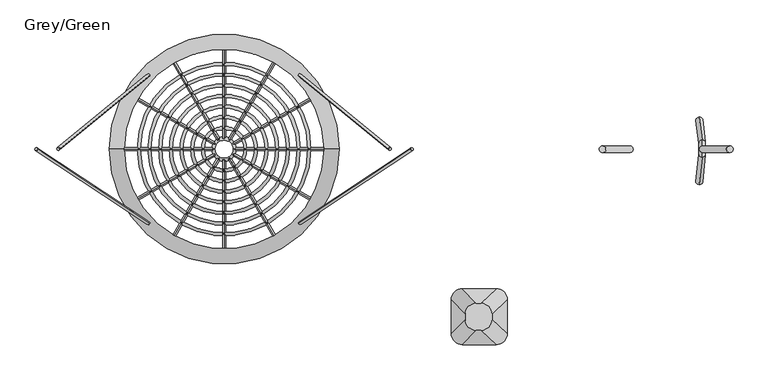
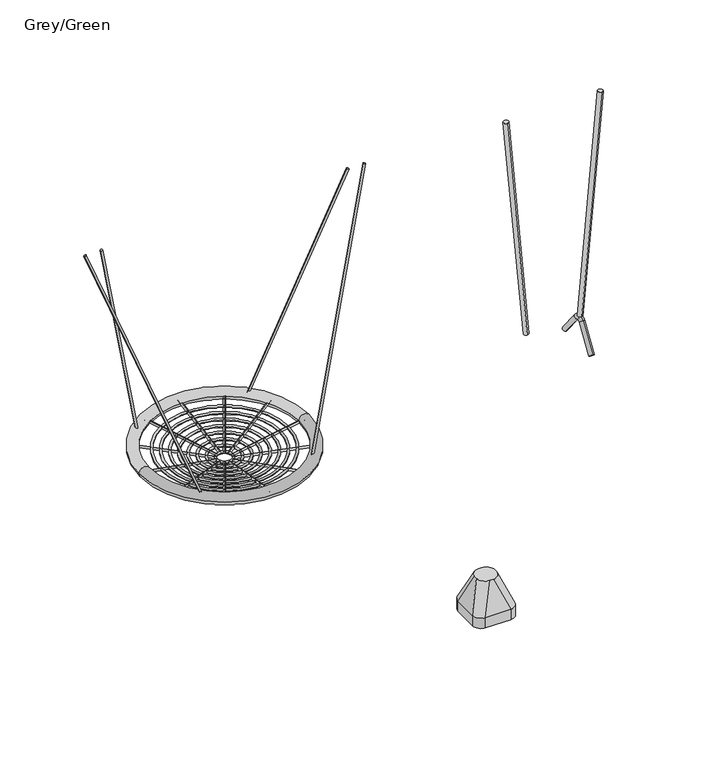
"""IFC4 building model written with IfcOpenShell, lengths in millimetres: furniture geometry, Grey/Green."""

from ifc_helpers import new_model, si_unit, point, frame, frame_2d, origin, place, context, project, spatial, circle_curve, ellipse_curve, trimmed, segment, composite_curve, outline, extrude, source, transform, mapped, element, save
from ifc_brep_helpers import plane_surface, cylinder_surface, revolved_surface, extruded_surface, advanced_brep


def grey_green_7b09b73a(model_context):
    return source(origin(), model_context, "Body", "SolidModel", [
        advanced_brep(
        [(1275.0, -746.7414474, -604.0), (1455.0, -746.7414474, -604.0), (1515.0, -806.7414474, -604.0), (1515.0, -986.7414474, -604.0), (1455.0, -1046.7414474, -604.0), (1275.0, -1046.7414474, -604.0), (1215.0, -986.7414474, -604.0), (1215.0, -806.7414474, -604.0), (1275.0, -746.7414474, -526.0689494), (1455.0, -746.7414474, -526.0689494), (1515.0, -806.7414474, -526.0689494), (1515.0, -986.7414474, -526.0689494), (1455.0, -1046.7414474, -526.0689494), (1275.0, -1046.7414474, -526.0689494), (1215.0, -986.7414474, -526.0689494), (1215.0, -806.7414474, -526.0689494), (1373.9540451, -825.2925072, -316.0689494), (1348.9540451, -825.2925072, -316.0689494), (1288.9540451, -885.2925072, -316.0689494), (1288.9540451, -910.2925072, -316.0689494), (1348.9540451, -970.2925072, -316.0689494), (1373.9540451, -970.2925072, -316.0689494), (1433.9540451, -910.2925072, -316.0689494), (1433.9540451, -885.2925072, -316.0689494)],
        [
            (0, 1),
            (1, 2, circle_curve(frame((1455.0, -806.7414474, -604.0), z_axis=(0.0, 0.0, -1.0), x_axis=(-1.0, 0.0, 0.0)), 60.0)),
            (2, 3),
            (3, 4, circle_curve(frame((1455.0, -986.7414474, -604.0), z_axis=(0.0, 0.0, -1.0), x_axis=(-1.0, 0.0, 0.0)), 60.0)),
            (4, 5),
            (5, 6, circle_curve(frame((1275.0, -986.7414474, -604.0), z_axis=(0.0, 0.0, -1.0), x_axis=(-1.0, 0.0, 0.0)), 60.0)),
            (6, 7),
            (7, 0, circle_curve(frame((1275.0, -806.7414474, -604.0), z_axis=(0.0, 0.0, -1.0), x_axis=(-1.0, 0.0, 0.0)), 60.0)),
            (0, 8),
            (8, 9),
            (9, 1),
            (2, 10),
            (10, 11),
            (11, 3),
            (4, 12),
            (12, 13),
            (13, 5),
            (6, 14),
            (14, 15),
            (15, 7),
            (16, 17),
            (17, 18, circle_curve(frame((1348.9540451, -885.2925072, -316.0689494), z_axis=(0.0, 0.0, 1.0), x_axis=(-1.0, 0.0, 0.0)), 60.0)),
            (18, 19),
            (19, 20, circle_curve(frame((1348.9540451, -910.2925072, -316.0689494), z_axis=(0.0, 0.0, 1.0), x_axis=(-1.0, 0.0, 0.0)), 60.0)),
            (20, 21),
            (21, 22, circle_curve(frame((1373.9540451, -910.2925072, -316.0689494), z_axis=(0.0, 0.0, 1.0), x_axis=(-1.0, 0.0, 0.0)), 60.0)),
            (22, 23),
            (23, 16, circle_curve(frame((1373.9540451, -885.2925072, -316.0689494), z_axis=(0.0, 0.0, 1.0), x_axis=(-1.0, 0.0, 0.0)), 60.0)),
            (22, 11),
            (10, 23),
            (20, 13),
            (12, 21),
            (18, 15),
            (14, 19),
            (16, 9),
            (8, 17),
            (9, 10, circle_curve(frame((1455.0, -806.7414474, -526.0689494), z_axis=(0.0, 0.0, -1.0), x_axis=(-1.0, 0.0, 0.0)), 60.0)),
            (11, 12, circle_curve(frame((1455.0, -986.7414474, -526.0689494), z_axis=(0.0, 0.0, -1.0), x_axis=(-1.0, 0.0, 0.0)), 60.0)),
            (13, 14, circle_curve(frame((1275.0, -986.7414474, -526.0689494), z_axis=(0.0, 0.0, -1.0), x_axis=(-1.0, 0.0, 0.0)), 60.0)),
            (15, 8, circle_curve(frame((1275.0, -806.7414474, -526.0689494), z_axis=(0.0, 0.0, -1.0), x_axis=(-1.0, 0.0, 0.0)), 60.0)),
        ],
        [
            plane_surface(frame((1541.6329682, -746.7414474, -604.0), z_axis=(0.0, 0.0, -1.0), x_axis=(-1.0, 0.0, 0.0))),
            plane_surface(frame((1275.0, -746.7414474, -526.0689494), z_axis=(0.0, 1.0, 0.0), x_axis=(0.0, 0.0, -1.0))),
            plane_surface(frame((1515.0, -806.7414474, -526.0689494), z_axis=(1.0, 0.0, 0.0), x_axis=(0.0, 0.0, -1.0))),
            plane_surface(frame((1455.0, -1046.7414474, -526.0689494), z_axis=(0.0, -1.0, 0.0), x_axis=(0.0, 0.0, -1.0))),
            plane_surface(frame((1215.0, -986.7414474, -526.0689494), z_axis=(-1.0, 0.0, 0.0), x_axis=(0.0, 0.0, -1.0))),
            plane_surface(frame((1361.4540451, -897.7925072, -316.0689494), z_axis=(0.0, 0.0, 1.0), x_axis=(1.0, 0.0, 0.0))),
            plane_surface(frame((1515.0, -896.7414474, -526.0689494), z_axis=(0.9329330935587706, 0.0, 0.36004977842357055), x_axis=(0.0, -1.0, 0.0))),
            plane_surface(frame((1365.0, -1046.7414474, -526.0689494), z_axis=(0.0, -0.9396707723277333, 0.34208016550656856), x_axis=(-1.0, 0.0, 0.0))),
            plane_surface(frame((1215.0, -896.7414474, -526.0689494), z_axis=(-0.9432207285248213, 0.0, 0.33216661072586046), x_axis=(0.0, 1.0, 0.0))),
            plane_surface(frame((1365.0, -746.7414474, -526.0689494), z_axis=(0.0, 0.9366205672401335, 0.35034541958297477), x_axis=(1.0, 0.0, 0.0))),
            cylinder_surface(frame((1455.0, -806.7414474, -604.0), z_axis=(0.0, 0.0, 1.0), x_axis=(-1.0, 0.0, 0.0)), 60.0),
            cylinder_surface(frame((1455.0, -986.7414474, -604.0), z_axis=(0.0, 0.0, 1.0), x_axis=(-1.0, 0.0, 0.0)), 60.0),
            cylinder_surface(frame((1275.0, -986.7414474, -604.0), z_axis=(0.0, 0.0, 1.0), x_axis=(-1.0, 0.0, 0.0)), 60.0),
            cylinder_surface(frame((1275.0, -806.7414474, -604.0), z_axis=(0.0, 0.0, 1.0), x_axis=(-1.0, 0.0, 0.0)), 60.0),
            extruded_surface(trimmed(circle_curve(frame((1373.9540451, -885.2925072, -316.0689494), z_axis=(0.0, 0.0, -1.0), x_axis=(-1.0, 0.0, 0.0)), 60.0), [point((1373.9540451, -825.2925072, -316.0689494))], [point((1433.9540451, -885.2925072, -316.0689494))], True, "CARTESIAN"), (81.04595489999997, 78.55105980000008, -209.99999999999994), 238.4087158670085),
            extruded_surface(trimmed(circle_curve(frame((1348.9540451, -885.2925072, -316.0689494), z_axis=(0.0, 0.0, -1.0), x_axis=(-1.0, 0.0, 0.0)), 60.0), [point((1288.9540451, -885.2925072, -316.0689494))], [point((1348.9540451, -825.2925072, -316.0689494))], True, "CARTESIAN"), (-73.95404510000003, 78.55105980000008, -209.99999999999994), 236.09207903349068),
            extruded_surface(trimmed(circle_curve(frame((1373.9540451, -910.2925072, -316.0689494), z_axis=(0.0, 0.0, -1.0), x_axis=(-1.0, 0.0, 0.0)), 60.0), [point((1433.9540451, -910.2925072, -316.0689494))], [point((1373.9540451, -970.2925072, -316.0689494))], True, "CARTESIAN"), (81.04595489999997, -76.44894019999992, -209.99999999999994), 237.72439349666237),
            extruded_surface(trimmed(circle_curve(frame((1348.9540451, -910.2925072, -316.0689494), z_axis=(0.0, 0.0, -1.0), x_axis=(-1.0, 0.0, 0.0)), 60.0), [point((1348.9540451, -970.2925072, -316.0689494))], [point((1288.9540451, -910.2925072, -316.0689494))], True, "CARTESIAN"), (-73.95404510000003, -76.44894019999992, -209.99999999999994), 235.40102218205422),
        ],
        [
            (0, [[1, 2, 3, 4, 5, 6, 7, 8]]),
            (1, [[9, 10, 11, -1]]),
            (2, [[12, 13, 14, -3]]),
            (3, [[15, 16, 17, -5]]),
            (4, [[18, 19, 20, -7]]),
            (5, [[21, 22, 23, 24, 25, 26, 27, 28]]),
            (6, [[29, -13, 30, -27]]),
            (7, [[31, -16, 32, -25]]),
            (8, [[33, -19, 34, -23]]),
            (9, [[35, -10, 36, -21]]),
            (10, [[-11, 37, -12, -2]]),
            (11, [[-14, 38, -15, -4]]),
            (12, [[-17, 39, -18, -6]]),
            (13, [[-20, 40, -9, -8]]),
            (14, [[-30, -37, -35, -28]]),
            (15, [[-36, -40, -33, -22]]),
            (16, [[-32, -38, -29, -26]]),
            (17, [[-34, -39, -31, -24]]),
        ],
    ),
        extrude(outline(composite_curve([segment(trimmed(circle_curve(frame_2d((0.0, -8.0)), 8.0), [point((0.0, -16.0000001))], [point((0.0, 0.0))], False, "CARTESIAN"), True, "CONTINUOUS"), segment(trimmed(circle_curve(frame_2d((0.0, -8.0)), 8.0), [point((0.0, 0.0))], [point((0.0, -16.0000001))], False, "CARTESIAN"), True, "CONTINUOUS")], self_intersect=False)), frame((407.7422445, 400.328905, 611.5111416), z_axis=(0.2584020941085009, -0.211804995170902, 0.9425322285105141), x_axis=(-0.05600141735473467, -0.9773119481622305, -0.20426746494145032)), (0.0, 0.0, 1.0), 1883.5295867),
        extrude(outline(composite_curve([segment(trimmed(circle_curve(frame_2d((0.0, -8.0)), 8.0), [point((0.0, -16.0000001))], [point((0.0, 0.0))], False, "CARTESIAN"), True, "CONTINUOUS"), segment(trimmed(circle_curve(frame_2d((0.0, -8.0)), 8.0), [point((0.0, 0.0))], [point((0.0, -16.0000001))], False, "CARTESIAN"), True, "CONTINUOUS")], self_intersect=False)), frame((407.6090341, -399.5272221, 611.049837), z_axis=(0.3152303539748724, 0.2080728409075072, 0.9259241420384049), x_axis=(0.06705856372205599, -0.9781133333498113, 0.19697069872155026)), (0.0, 0.0, 1.0), 1917.4037037),
        extrude(outline(composite_curve([segment(trimmed(circle_curve(frame_2d((0.0, -8.0)), 8.0), [point((0.0, -16.0000001))], [point((0.0, 0.0))], False, "CARTESIAN"), True, "CONTINUOUS"), segment(trimmed(circle_curve(frame_2d((0.0, -8.0)), 8.0), [point((0.0, 0.0))], [point((0.0, -16.0000001))], False, "CARTESIAN"), True, "CONTINUOUS")], self_intersect=False)), frame((-407.7422445, 400.328905, 611.5111416), z_axis=(-0.25840209410850096, -0.21180499517090198, 0.942532228510514), x_axis=(-0.05600141735473466, 0.9773119481622304, 0.20426746494145032)), (0.0, 0.0, 1.0), 1883.5295867),
        extrude(outline(composite_curve([segment(trimmed(circle_curve(frame_2d((0.0, -8.0)), 8.0), [point((0.0, -16.0000001))], [point((0.0, 0.0))], False, "CARTESIAN"), True, "CONTINUOUS"), segment(trimmed(circle_curve(frame_2d((0.0, -8.0)), 8.0), [point((0.0, 0.0))], [point((0.0, -16.0000001))], False, "CARTESIAN"), True, "CONTINUOUS")], self_intersect=False)), frame((-407.6090341, -399.5272221, 611.049837), z_axis=(-0.3152303539748724, 0.20807284090750716, 0.9259241420384049), x_axis=(0.06705856372205597, 0.9781133333498113, -0.19697069872155024)), (0.0, 0.0, 1.0), 1917.4037037),
        advanced_brep(
        [(535.0, 0.4222864, 593.5648611), (-535.0, 0.4222864, 593.5648611), (-615.0, 0.4222864, 593.5648611), (615.0, 0.4222864, 593.5648611)],
        [
            (0, 1, circle_curve(frame((0.0, 0.4222864, 593.5648611), z_axis=(0.0, 0.0, -1.0), x_axis=(-1.0, 0.0, 0.0)), 535.0)),
            (1, 2, circle_curve(frame((-575.0, 0.4222864, 593.5648611), z_axis=(0.0, -1.0, 0.0), x_axis=(1.0, 0.0, 0.0)), 40.0)),
            (2, 3, circle_curve(frame((0.0, 0.4222864, 593.5648611), z_axis=(0.0, 0.0, 1.0), x_axis=(-1.0, 0.0, 0.0)), 615.0)),
            (3, 0, circle_curve(frame((575.0, 0.4222864, 593.5648611), z_axis=(0.0, -1.0, 0.0), x_axis=(-1.0, 0.0, 0.0)), 40.0)),
            (2, 1, circle_curve(frame((-575.0, 0.4222864, 593.5648611), z_axis=(0.0, -1.0, 0.0), x_axis=(1.0, 0.0, 0.0)), 40.0)),
            (0, 3, circle_curve(frame((575.0, 0.4222864, 593.5648611), z_axis=(0.0, -1.0, 0.0), x_axis=(-1.0, 0.0, 0.0)), 40.0)),
            (1, 0, circle_curve(frame((0.0, 0.4222864, 593.5648611), z_axis=(0.0, 0.0, -1.0), x_axis=(1.0, 0.0, 0.0)), 535.0)),
            (3, 2, circle_curve(frame((0.0, 0.4222864, 593.5648611), z_axis=(0.0, 0.0, 1.0), x_axis=(1.0, 0.0, 0.0)), 615.0)),
        ],
        [
            revolved_surface(trimmed(ellipse_curve(frame((-575.0, 0.4222864, 593.5648611), z_axis=(0.0, 1.0, 0.0), x_axis=(1.0, 0.0, 0.0)), 40.0, 40.0), [point((-615.0, 0.4222864, 593.5648611))], [point((-535.0, 0.4222864, 593.5648611))], True, "CARTESIAN"), (0.0, 0.4222864, 1.0), (0.0, 0.0, 1.0)),
            revolved_surface(trimmed(ellipse_curve(frame((-575.0, 0.4222864, 593.5648611), z_axis=(0.0, 1.0, 0.0), x_axis=(1.0, 0.0, 0.0)), 40.0, 40.0), [point((-535.0, 0.4222864, 593.5648611))], [point((-615.0, 0.4222864, 593.5648611))], True, "CARTESIAN"), (0.0, 0.4222864, 1.0), (0.0, 0.0, 1.0)),
            revolved_surface(trimmed(ellipse_curve(frame((575.0, 0.4222864, 593.5648611), z_axis=(0.0, -1.0, 0.0), x_axis=(-1.0, 0.0, 0.0)), 40.0, 40.0), [point((615.0, 0.4222864, 593.5648611))], [point((535.0, 0.4222864, 593.5648611))], True, "CARTESIAN"), (0.0, 0.4222864, 1.0), (0.0, 0.0, 1.0)),
            revolved_surface(trimmed(ellipse_curve(frame((575.0, 0.4222864, 593.5648611), z_axis=(0.0, -1.0, 0.0), x_axis=(-1.0, 0.0, 0.0)), 40.0, 40.0), [point((535.0, 0.4222864, 593.5648611))], [point((615.0, 0.4222864, 593.5648611))], True, "CARTESIAN"), (0.0, 0.4222864, 1.0), (0.0, 0.0, 1.0)),
        ],
        [
            (0, [[1, 2, 3, 4]]),
            (1, [[-3, 5, -1, 6]]),
            (2, [[7, -4, 8, -2]]),
            (3, [[-8, -6, -7, -5]]),
        ],
    ),
        extrude(outline(composite_curve([segment(trimmed(circle_curve(frame_2d((0.0, -8.0000001)), 8.0), [point((0.0, -16.0))], [point((0.0, 0.0))], False, "CARTESIAN"), True, "CONTINUOUS"), segment(trimmed(circle_curve(frame_2d((0.0, -8.0000001)), 8.0), [point((0.0, 0.0))], [point((0.0, -16.0))], False, "CARTESIAN"), True, "CONTINUOUS")], self_intersect=False)), frame((-48.3054722, -27.471054, 511.3143934), z_axis=(-0.8532184077808869, -0.4926058774098319, 0.17134117475124827), x_axis=(0.49999999999999467, -0.8660254037844417, 0.0)), (0.0, 0.0, 1.0), 525.6770169),
        extrude(outline(composite_curve([segment(trimmed(circle_curve(frame_2d((0.0, -8.0000001)), 8.0), [point((0.0, -16.0))], [point((0.0, 0.0))], False, "CARTESIAN"), True, "CONTINUOUS"), segment(trimmed(circle_curve(frame_2d((0.0, -8.0000001)), 8.0), [point((0.0, 0.0))], [point((0.0, -16.0))], False, "CARTESIAN"), True, "CONTINUOUS")], self_intersect=False)), frame((48.2360089, 28.2671961, 511.4528529), z_axis=(0.8532184077808838, 0.4926058774098376, 0.17134117475124827), x_axis=(-0.5000000000000003, 0.8660254037844385, 0.0)), (0.0, 0.0, 1.0), 525.6770169),
        extrude(outline(composite_curve([segment(trimmed(circle_curve(frame_2d((0.0, -8.0000001)), 8.0), [point((0.0, -16.0))], [point((0.0, 0.0))], False, "CARTESIAN"), True, "CONTINUOUS"), segment(trimmed(circle_curve(frame_2d((0.0, -8.0000001)), 8.0), [point((0.0, 0.0))], [point((0.0, -16.0))], False, "CARTESIAN"), True, "CONTINUOUS")], self_intersect=False)), frame((-27.9038567, -47.8726695, 511.3143934), z_axis=(-0.492605877409843, -0.8532184077808806, 0.1713411747512483), x_axis=(0.8660254037844353, -0.5000000000000059, 0.0)), (0.0, 0.0, 1.0), 525.6770169),
        extrude(outline(composite_curve([segment(trimmed(circle_curve(frame_2d((0.0, -8.0000001)), 8.0), [point((0.0, -16.0))], [point((0.0, 0.0))], False, "CARTESIAN"), True, "CONTINUOUS"), segment(trimmed(circle_curve(frame_2d((0.0, -8.0000001)), 8.0), [point((0.0, 0.0))], [point((0.0, -16.0))], False, "CARTESIAN"), True, "CONTINUOUS")], self_intersect=False)), frame((27.8343934, 48.6688116, 511.4528529), z_axis=(0.4926058774098375, 0.8532184077808838, 0.1713411747512483), x_axis=(-0.8660254037844385, 0.5000000000000003, 0.0)), (0.0, 0.0, 1.0), 525.6770169),
        extrude(outline(composite_curve([segment(trimmed(circle_curve(frame_2d((0.0, -8.0000001)), 8.0), [point((0.0, -16.0))], [point((0.0, 0.0))], False, "CARTESIAN"), True, "CONTINUOUS"), segment(trimmed(circle_curve(frame_2d((0.0, -8.0000001)), 8.0), [point((0.0, 0.0))], [point((0.0, -16.0))], False, "CARTESIAN"), True, "CONTINUOUS")], self_intersect=False)), frame((-27.9038567, 48.6688116, 511.3143934), z_axis=(-0.49260587740982914, 0.8532184077808888, 0.17134117475124835), x_axis=(-0.8660254037844434, -0.49999999999999173, 0.0)), (0.0, 0.0, 1.0), 525.6770169),
        extrude(outline(composite_curve([segment(trimmed(circle_curve(frame_2d((0.0, -8.0000001)), 8.0), [point((0.0, -16.0))], [point((0.0, 0.0))], False, "CARTESIAN"), True, "CONTINUOUS"), segment(trimmed(circle_curve(frame_2d((0.0, -8.0000001)), 8.0), [point((0.0, 0.0))], [point((0.0, -16.0))], False, "CARTESIAN"), True, "CONTINUOUS")], self_intersect=False)), frame((27.8343934, -47.8726695, 511.4528529), z_axis=(0.49260587740983475, -0.8532184077808853, 0.17134117475124838), x_axis=(0.8660254037844402, 0.4999999999999975, 0.0)), (0.0, 0.0, 1.0), 525.6770169),
        extrude(outline(composite_curve([segment(trimmed(circle_curve(frame_2d((0.0, -8.0000001)), 8.0), [point((0.0, -16.0))], [point((0.0, 0.0))], False, "CARTESIAN"), True, "CONTINUOUS"), segment(trimmed(circle_curve(frame_2d((0.0, -8.0000001)), 8.0), [point((0.0, 0.0))], [point((0.0, -16.0))], False, "CARTESIAN"), True, "CONTINUOUS")], self_intersect=False)), frame((-48.3054722, 28.2671961, 511.3143934), z_axis=(-0.8532184077808784, 0.4926058774098467, 0.17134117475124833), x_axis=(-0.5000000000000097, -0.8660254037844332, 0.0)), (0.0, 0.0, 1.0), 525.6770169),
        extrude(outline(composite_curve([segment(trimmed(circle_curve(frame_2d((0.0, -8.0000001)), 8.0), [point((0.0, -16.0))], [point((0.0, 0.0))], False, "CARTESIAN"), True, "CONTINUOUS"), segment(trimmed(circle_curve(frame_2d((0.0, -8.0000001)), 8.0), [point((0.0, 0.0))], [point((0.0, -16.0))], False, "CARTESIAN"), True, "CONTINUOUS")], self_intersect=False)), frame((48.2360089, -27.471054, 511.4528529), z_axis=(0.8532184077808816, -0.49260587740984113, 0.17134117475124833), x_axis=(0.500000000000004, 0.8660254037844364, 0.0)), (0.0, 0.0, 1.0), 525.6770169),
        extrude(outline(composite_curve([segment(trimmed(circle_curve(frame_2d((0.0, -8.0000001)), 8.0), [point((0.0, -16.0))], [point((0.0, 0.0))], False, "CARTESIAN"), True, "CONTINUOUS"), segment(trimmed(circle_curve(frame_2d((0.0, -8.0000001)), 8.0), [point((0.0, 0.0))], [point((0.0, -16.0))], False, "CARTESIAN"), True, "CONTINUOUS")], self_intersect=False)), frame((-55.7729818, 0.3980711, 511.3143934), z_axis=(-0.9852117548196744, 0.0, 0.1713411747512483), x_axis=(0.0, -1.0, 0.0)), (0.0, 0.0, 1.0), 525.6770169),
        extrude(outline(composite_curve([segment(trimmed(circle_curve(frame_2d((0.0, -8.0000001)), 8.0), [point((0.0, -16.0))], [point((0.0, 0.0))], False, "CARTESIAN"), True, "CONTINUOUS"), segment(trimmed(circle_curve(frame_2d((0.0, -8.0000001)), 8.0), [point((0.0, 0.0))], [point((0.0, -16.0))], False, "CARTESIAN"), True, "CONTINUOUS")], self_intersect=False)), frame((55.7035184, 0.3980711, 511.4528529), z_axis=(0.9852117548196744, 0.0, 0.1713411747512483), x_axis=(0.0, 1.0, 0.0)), (0.0, 0.0, 1.0), 525.6770169),
        extrude(outline(composite_curve([segment(trimmed(circle_curve(frame_2d((0.0, -8.0000001)), 8.0), [point((0.0, -16.0))], [point((0.0, 0.0))], False, "CARTESIAN"), True, "CONTINUOUS"), segment(trimmed(circle_curve(frame_2d((0.0, -8.0000001)), 8.0), [point((0.0, 0.0))], [point((0.0, -16.0))], False, "CARTESIAN"), True, "CONTINUOUS")], self_intersect=False)), frame((-0.0347317, -55.340179, 511.3143934), z_axis=(0.0, -0.9852117548196744, 0.17134117475124827), x_axis=(1.0, 0.0, 0.0)), (0.0, 0.0, 1.0), 525.6770169),
        extrude(outline(composite_curve([segment(trimmed(circle_curve(frame_2d((0.0, -8.0000001)), 8.0), [point((0.0, -16.0))], [point((0.0, 0.0))], False, "CARTESIAN"), True, "CONTINUOUS"), segment(trimmed(circle_curve(frame_2d((0.0, -8.0000001)), 8.0), [point((0.0, 0.0))], [point((0.0, -16.0))], False, "CARTESIAN"), True, "CONTINUOUS")], self_intersect=False)), frame((-0.0347317, 56.1363212, 511.4528529), z_axis=(0.0, 0.9852117548196744, 0.1713411747512483), x_axis=(-1.0, 0.0, 0.0)), (0.0, 0.0, 1.0), 525.6770169),
        advanced_brep(
        [(448.7364652, 0.4222864, 573.090214), (-448.7364652, 0.4222864, 573.090214), (-464.7364652, 0.4222864, 573.090214), (464.7364652, 0.4222864, 573.090214)],
        [
            (0, 1, circle_curve(frame((0.0, 0.4222864, 573.090214), z_axis=(0.0, 0.0, -1.0), x_axis=(-1.0, 0.0, 0.0)), 448.7364652)),
            (1, 2, circle_curve(frame((-456.7364652, 0.4222864, 573.090214), z_axis=(0.0, -1.0, 0.0), x_axis=(1.0, 0.0, 0.0)), 8.0)),
            (2, 3, circle_curve(frame((0.0, 0.4222864, 573.090214), z_axis=(0.0, 0.0, 1.0), x_axis=(-1.0, 0.0, 0.0)), 464.7364652)),
            (3, 0, circle_curve(frame((456.7364652, 0.4222864, 573.090214), z_axis=(0.0, -1.0, 0.0), x_axis=(-1.0, 0.0, 0.0)), 8.0)),
            (2, 1, circle_curve(frame((-456.7364652, 0.4222864, 573.090214), z_axis=(0.0, -1.0, 0.0), x_axis=(1.0, 0.0, 0.0)), 8.0)),
            (0, 3, circle_curve(frame((456.7364652, 0.4222864, 573.090214), z_axis=(0.0, -1.0, 0.0), x_axis=(-1.0, 0.0, 0.0)), 8.0)),
            (1, 0, circle_curve(frame((0.0, 0.4222864, 573.090214), z_axis=(0.0, 0.0, -1.0), x_axis=(1.0, 0.0, 0.0)), 448.7364652)),
            (3, 2, circle_curve(frame((0.0, 0.4222864, 573.090214), z_axis=(0.0, 0.0, 1.0), x_axis=(1.0, 0.0, 0.0)), 464.7364652)),
        ],
        [
            revolved_surface(trimmed(ellipse_curve(frame((-456.7364652, 0.4222864, 573.090214), z_axis=(0.0, 1.0, 0.0), x_axis=(1.0, 0.0, 0.0)), 8.0, 8.0), [point((-464.7364652, 0.4222864, 573.090214))], [point((-448.7364652, 0.4222864, 573.090214))], True, "CARTESIAN"), (0.0, 0.4222864, 1.0), (0.0, 0.0, 1.0)),
            revolved_surface(trimmed(ellipse_curve(frame((-456.7364652, 0.4222864, 573.090214), z_axis=(0.0, 1.0, 0.0), x_axis=(1.0, 0.0, 0.0)), 8.0, 8.0), [point((-448.7364652, 0.4222864, 573.090214))], [point((-464.7364652, 0.4222864, 573.090214))], True, "CARTESIAN"), (0.0, 0.4222864, 1.0), (0.0, 0.0, 1.0)),
            revolved_surface(trimmed(ellipse_curve(frame((456.7364652, 0.4222864, 573.090214), z_axis=(0.0, -1.0, 0.0), x_axis=(-1.0, 0.0, 0.0)), 8.0, 8.0), [point((464.7364652, 0.4222864, 573.090214))], [point((448.7364652, 0.4222864, 573.090214))], True, "CARTESIAN"), (0.0, 0.4222864, 1.0), (0.0, 0.0, 1.0)),
            revolved_surface(trimmed(ellipse_curve(frame((456.7364652, 0.4222864, 573.090214), z_axis=(0.0, -1.0, 0.0), x_axis=(-1.0, 0.0, 0.0)), 8.0, 8.0), [point((448.7364652, 0.4222864, 573.090214))], [point((464.7364652, 0.4222864, 573.090214))], True, "CARTESIAN"), (0.0, 0.4222864, 1.0), (0.0, 0.0, 1.0)),
        ],
        [
            (0, [[1, 2, 3, 4]]),
            (1, [[-3, 5, -1, 6]]),
            (2, [[7, -4, 8, -2]]),
            (3, [[-8, -6, -7, -5]]),
        ],
    ),
        advanced_brep(
        [(391.6928848, 0.4222864, 563.0714642), (-391.6928848, 0.4222864, 563.0714642), (-407.6928848, 0.4222864, 563.0714642), (407.6928848, 0.4222864, 563.0714642)],
        [
            (0, 1, circle_curve(frame((0.0, 0.4222864, 563.0714642), z_axis=(0.0, 0.0, -1.0), x_axis=(-1.0, 0.0, 0.0)), 391.6928848)),
            (1, 2, circle_curve(frame((-399.6928848, 0.4222864, 563.0714642), z_axis=(0.0, -1.0, 0.0), x_axis=(1.0, 0.0, 0.0)), 8.0)),
            (2, 3, circle_curve(frame((0.0, 0.4222864, 563.0714642), z_axis=(0.0, 0.0, 1.0), x_axis=(-1.0, 0.0, 0.0)), 407.6928848)),
            (3, 0, circle_curve(frame((399.6928848, 0.4222864, 563.0714642), z_axis=(0.0, -1.0, 0.0), x_axis=(-1.0, 0.0, 0.0)), 8.0)),
            (2, 1, circle_curve(frame((-399.6928848, 0.4222864, 563.0714642), z_axis=(0.0, -1.0, 0.0), x_axis=(1.0, 0.0, 0.0)), 8.0)),
            (0, 3, circle_curve(frame((399.6928848, 0.4222864, 563.0714642), z_axis=(0.0, -1.0, 0.0), x_axis=(-1.0, 0.0, 0.0)), 8.0)),
            (1, 0, circle_curve(frame((0.0, 0.4222864, 563.0714642), z_axis=(0.0, 0.0, -1.0), x_axis=(1.0, 0.0, 0.0)), 391.6928848)),
            (3, 2, circle_curve(frame((0.0, 0.4222864, 563.0714642), z_axis=(0.0, 0.0, 1.0), x_axis=(1.0, 0.0, 0.0)), 407.6928848)),
        ],
        [
            revolved_surface(trimmed(ellipse_curve(frame((-399.6928848, 0.4222864, 563.0714642), z_axis=(0.0, 1.0, 0.0), x_axis=(1.0, 0.0, 0.0)), 8.0, 8.0), [point((-407.6928848, 0.4222864, 563.0714642))], [point((-391.6928848, 0.4222864, 563.0714642))], True, "CARTESIAN"), (0.0, 0.4222864, 1.0), (0.0, 0.0, 1.0)),
            revolved_surface(trimmed(ellipse_curve(frame((-399.6928848, 0.4222864, 563.0714642), z_axis=(0.0, 1.0, 0.0), x_axis=(1.0, 0.0, 0.0)), 8.0, 8.0), [point((-391.6928848, 0.4222864, 563.0714642))], [point((-407.6928848, 0.4222864, 563.0714642))], True, "CARTESIAN"), (0.0, 0.4222864, 1.0), (0.0, 0.0, 1.0)),
            revolved_surface(trimmed(ellipse_curve(frame((399.6928848, 0.4222864, 563.0714642), z_axis=(0.0, -1.0, 0.0), x_axis=(-1.0, 0.0, 0.0)), 8.0, 8.0), [point((407.6928848, 0.4222864, 563.0714642))], [point((391.6928848, 0.4222864, 563.0714642))], True, "CARTESIAN"), (0.0, 0.4222864, 1.0), (0.0, 0.0, 1.0)),
            revolved_surface(trimmed(ellipse_curve(frame((399.6928848, 0.4222864, 563.0714642), z_axis=(0.0, -1.0, 0.0), x_axis=(-1.0, 0.0, 0.0)), 8.0, 8.0), [point((391.6928848, 0.4222864, 563.0714642))], [point((407.6928848, 0.4222864, 563.0714642))], True, "CARTESIAN"), (0.0, 0.4222864, 1.0), (0.0, 0.0, 1.0)),
        ],
        [
            (0, [[1, 2, 3, 4]]),
            (1, [[-3, 5, -1, 6]]),
            (2, [[7, -4, 8, -2]]),
            (3, [[-8, -6, -7, -5]]),
        ],
    ),
        advanced_brep(
        [(334.6014773, 0.4222864, 553.2139496), (-334.6014773, 0.4222864, 553.2139496), (-350.6014773, 0.4222864, 553.2139496), (350.6014773, 0.4222864, 553.2139496)],
        [
            (0, 1, circle_curve(frame((0.0, 0.4222864, 553.2139496), z_axis=(0.0, 0.0, -1.0), x_axis=(-1.0, 0.0, 0.0)), 334.6014773)),
            (1, 2, circle_curve(frame((-342.6014773, 0.4222864, 553.2139496), z_axis=(0.0, -1.0, 0.0), x_axis=(1.0, 0.0, 0.0)), 8.0)),
            (2, 3, circle_curve(frame((0.0, 0.4222864, 553.2139496), z_axis=(0.0, 0.0, 1.0), x_axis=(-1.0, 0.0, 0.0)), 350.6014773)),
            (3, 0, circle_curve(frame((342.6014773, 0.4222864, 553.2139496), z_axis=(0.0, -1.0, 0.0), x_axis=(-1.0, 0.0, 0.0)), 8.0)),
            (2, 1, circle_curve(frame((-342.6014773, 0.4222864, 553.2139496), z_axis=(0.0, -1.0, 0.0), x_axis=(1.0, 0.0, 0.0)), 8.0)),
            (0, 3, circle_curve(frame((342.6014773, 0.4222864, 553.2139496), z_axis=(0.0, -1.0, 0.0), x_axis=(-1.0, 0.0, 0.0)), 8.0)),
            (1, 0, circle_curve(frame((0.0, 0.4222864, 553.2139496), z_axis=(0.0, 0.0, -1.0), x_axis=(1.0, 0.0, 0.0)), 334.6014773)),
            (3, 2, circle_curve(frame((0.0, 0.4222864, 553.2139496), z_axis=(0.0, 0.0, 1.0), x_axis=(1.0, 0.0, 0.0)), 350.6014773)),
        ],
        [
            revolved_surface(trimmed(ellipse_curve(frame((-342.6014773, 0.4222864, 553.2139496), z_axis=(0.0, 1.0, 0.0), x_axis=(1.0, 0.0, 0.0)), 8.0, 8.0), [point((-350.6014773, 0.4222864, 553.2139496))], [point((-334.6014773, 0.4222864, 553.2139496))], True, "CARTESIAN"), (0.0, 0.4222864, 1.0), (0.0, 0.0, 1.0)),
            revolved_surface(trimmed(ellipse_curve(frame((-342.6014773, 0.4222864, 553.2139496), z_axis=(0.0, 1.0, 0.0), x_axis=(1.0, 0.0, 0.0)), 8.0, 8.0), [point((-334.6014773, 0.4222864, 553.2139496))], [point((-350.6014773, 0.4222864, 553.2139496))], True, "CARTESIAN"), (0.0, 0.4222864, 1.0), (0.0, 0.0, 1.0)),
            revolved_surface(trimmed(ellipse_curve(frame((342.6014773, 0.4222864, 553.2139496), z_axis=(0.0, -1.0, 0.0), x_axis=(-1.0, 0.0, 0.0)), 8.0, 8.0), [point((350.6014773, 0.4222864, 553.2139496))], [point((334.6014773, 0.4222864, 553.2139496))], True, "CARTESIAN"), (0.0, 0.4222864, 1.0), (0.0, 0.0, 1.0)),
            revolved_surface(trimmed(ellipse_curve(frame((342.6014773, 0.4222864, 553.2139496), z_axis=(0.0, -1.0, 0.0), x_axis=(-1.0, 0.0, 0.0)), 8.0, 8.0), [point((334.6014773, 0.4222864, 553.2139496))], [point((350.6014773, 0.4222864, 553.2139496))], True, "CARTESIAN"), (0.0, 0.4222864, 1.0), (0.0, 0.0, 1.0)),
        ],
        [
            (0, [[1, 2, 3, 4]]),
            (1, [[-3, 5, -1, 6]]),
            (2, [[7, -4, 8, -2]]),
            (3, [[-8, -6, -7, -5]]),
        ],
    ),
        advanced_brep(
        [(277.4216223, 0.4222864, 543.2912884), (-277.4216223, 0.4222864, 543.2912884), (-293.4216223, 0.4222864, 543.2912884), (293.4216223, 0.4222864, 543.2912884)],
        [
            (0, 1, circle_curve(frame((0.0, 0.4222864, 543.2912884), z_axis=(0.0, 0.0, -1.0), x_axis=(-1.0, 0.0, 0.0)), 277.4216223)),
            (1, 2, circle_curve(frame((-285.4216223, 0.4222864, 543.2912884), z_axis=(0.0, -1.0, 0.0), x_axis=(1.0, 0.0, 0.0)), 8.0)),
            (2, 3, circle_curve(frame((0.0, 0.4222864, 543.2912884), z_axis=(0.0, 0.0, 1.0), x_axis=(-1.0, 0.0, 0.0)), 293.4216223)),
            (3, 0, circle_curve(frame((285.4216223, 0.4222864, 543.2912884), z_axis=(0.0, -1.0, 0.0), x_axis=(-1.0, 0.0, 0.0)), 8.0)),
            (2, 1, circle_curve(frame((-285.4216223, 0.4222864, 543.2912884), z_axis=(0.0, -1.0, 0.0), x_axis=(1.0, 0.0, 0.0)), 8.0)),
            (0, 3, circle_curve(frame((285.4216223, 0.4222864, 543.2912884), z_axis=(0.0, -1.0, 0.0), x_axis=(-1.0, 0.0, 0.0)), 8.0)),
            (1, 0, circle_curve(frame((0.0, 0.4222864, 543.2912884), z_axis=(0.0, 0.0, -1.0), x_axis=(1.0, 0.0, 0.0)), 277.4216223)),
            (3, 2, circle_curve(frame((0.0, 0.4222864, 543.2912884), z_axis=(0.0, 0.0, 1.0), x_axis=(1.0, 0.0, 0.0)), 293.4216223)),
        ],
        [
            revolved_surface(trimmed(ellipse_curve(frame((-285.4216223, 0.4222864, 543.2912884), z_axis=(0.0, 1.0, 0.0), x_axis=(1.0, 0.0, 0.0)), 8.0, 8.0), [point((-293.4216223, 0.4222864, 543.2912884))], [point((-277.4216223, 0.4222864, 543.2912884))], True, "CARTESIAN"), (0.0, 0.4222864, 1.0), (0.0, 0.0, 1.0)),
            revolved_surface(trimmed(ellipse_curve(frame((-285.4216223, 0.4222864, 543.2912884), z_axis=(0.0, 1.0, 0.0), x_axis=(1.0, 0.0, 0.0)), 8.0, 8.0), [point((-277.4216223, 0.4222864, 543.2912884))], [point((-293.4216223, 0.4222864, 543.2912884))], True, "CARTESIAN"), (0.0, 0.4222864, 1.0), (0.0, 0.0, 1.0)),
            revolved_surface(trimmed(ellipse_curve(frame((285.4216223, 0.4222864, 543.2912884), z_axis=(0.0, -1.0, 0.0), x_axis=(-1.0, 0.0, 0.0)), 8.0, 8.0), [point((293.4216223, 0.4222864, 543.2912884))], [point((277.4216223, 0.4222864, 543.2912884))], True, "CARTESIAN"), (0.0, 0.4222864, 1.0), (0.0, 0.0, 1.0)),
            revolved_surface(trimmed(ellipse_curve(frame((285.4216223, 0.4222864, 543.2912884), z_axis=(0.0, -1.0, 0.0), x_axis=(-1.0, 0.0, 0.0)), 8.0, 8.0), [point((277.4216223, 0.4222864, 543.2912884))], [point((293.4216223, 0.4222864, 543.2912884))], True, "CARTESIAN"), (0.0, 0.4222864, 1.0), (0.0, 0.0, 1.0)),
        ],
        [
            (0, [[1, 2, 3, 4]]),
            (1, [[-3, 5, -1, 6]]),
            (2, [[7, -4, 8, -2]]),
            (3, [[-8, -6, -7, -5]]),
        ],
    ),
        advanced_brep(
        [(220.4010994, 0.4222864, 533.3558342), (-220.4010994, 0.4222864, 533.3558342), (-236.4010994, 0.4222864, 533.3558342), (236.4010994, 0.4222864, 533.3558342)],
        [
            (0, 1, circle_curve(frame((0.0, 0.4222864, 533.3558342), z_axis=(0.0, 0.0, -1.0), x_axis=(-1.0, 0.0, 0.0)), 220.4010994)),
            (1, 2, circle_curve(frame((-228.4010994, 0.4222864, 533.3558342), z_axis=(0.0, -1.0, 0.0), x_axis=(1.0, 0.0, 0.0)), 8.0)),
            (2, 3, circle_curve(frame((0.0, 0.4222864, 533.3558342), z_axis=(0.0, 0.0, 1.0), x_axis=(-1.0, 0.0, 0.0)), 236.4010994)),
            (3, 0, circle_curve(frame((228.4010994, 0.4222864, 533.3558342), z_axis=(0.0, -1.0, 0.0), x_axis=(-1.0, 0.0, 0.0)), 8.0)),
            (2, 1, circle_curve(frame((-228.4010994, 0.4222864, 533.3558342), z_axis=(0.0, -1.0, 0.0), x_axis=(1.0, 0.0, 0.0)), 8.0)),
            (0, 3, circle_curve(frame((228.4010994, 0.4222864, 533.3558342), z_axis=(0.0, -1.0, 0.0), x_axis=(-1.0, 0.0, 0.0)), 8.0)),
            (1, 0, circle_curve(frame((0.0, 0.4222864, 533.3558342), z_axis=(0.0, 0.0, -1.0), x_axis=(1.0, 0.0, 0.0)), 220.4010994)),
            (3, 2, circle_curve(frame((0.0, 0.4222864, 533.3558342), z_axis=(0.0, 0.0, 1.0), x_axis=(1.0, 0.0, 0.0)), 236.4010994)),
        ],
        [
            revolved_surface(trimmed(ellipse_curve(frame((-228.4010994, 0.4222864, 533.3558342), z_axis=(0.0, 1.0, 0.0), x_axis=(1.0, 0.0, 0.0)), 8.0, 8.0), [point((-236.4010994, 0.4222864, 533.3558342))], [point((-220.4010994, 0.4222864, 533.3558342))], True, "CARTESIAN"), (0.0, 0.4222864, 1.0), (0.0, 0.0, 1.0)),
            revolved_surface(trimmed(ellipse_curve(frame((-228.4010994, 0.4222864, 533.3558342), z_axis=(0.0, 1.0, 0.0), x_axis=(1.0, 0.0, 0.0)), 8.0, 8.0), [point((-220.4010994, 0.4222864, 533.3558342))], [point((-236.4010994, 0.4222864, 533.3558342))], True, "CARTESIAN"), (0.0, 0.4222864, 1.0), (0.0, 0.0, 1.0)),
            revolved_surface(trimmed(ellipse_curve(frame((228.4010994, 0.4222864, 533.3558342), z_axis=(0.0, -1.0, 0.0), x_axis=(-1.0, 0.0, 0.0)), 8.0, 8.0), [point((236.4010994, 0.4222864, 533.3558342))], [point((220.4010994, 0.4222864, 533.3558342))], True, "CARTESIAN"), (0.0, 0.4222864, 1.0), (0.0, 0.0, 1.0)),
            revolved_surface(trimmed(ellipse_curve(frame((228.4010994, 0.4222864, 533.3558342), z_axis=(0.0, -1.0, 0.0), x_axis=(-1.0, 0.0, 0.0)), 8.0, 8.0), [point((220.4010994, 0.4222864, 533.3558342))], [point((236.4010994, 0.4222864, 533.3558342))], True, "CARTESIAN"), (0.0, 0.4222864, 1.0), (0.0, 0.0, 1.0)),
        ],
        [
            (0, [[1, 2, 3, 4]]),
            (1, [[-3, 5, -1, 6]]),
            (2, [[7, -4, 8, -2]]),
            (3, [[-8, -6, -7, -5]]),
        ],
    ),
        advanced_brep(
        [(163.3918023, 0.4222864, 523.3456297), (-163.3918023, 0.4222864, 523.3456297), (-179.3918023, 0.4222864, 523.3456297), (179.3918023, 0.4222864, 523.3456297)],
        [
            (0, 1, circle_curve(frame((0.0, 0.4222864, 523.3456297), z_axis=(0.0, 0.0, -1.0), x_axis=(-1.0, 0.0, 0.0)), 163.3918023)),
            (1, 2, circle_curve(frame((-171.3918023, 0.4222864, 523.3456297), z_axis=(0.0, -1.0, 0.0), x_axis=(1.0, 0.0, 0.0)), 8.0)),
            (2, 3, circle_curve(frame((0.0, 0.4222864, 523.3456297), z_axis=(0.0, 0.0, 1.0), x_axis=(-1.0, 0.0, 0.0)), 179.3918023)),
            (3, 0, circle_curve(frame((171.3918023, 0.4222864, 523.3456297), z_axis=(0.0, -1.0, 0.0), x_axis=(-1.0, 0.0, 0.0)), 8.0)),
            (2, 1, circle_curve(frame((-171.3918023, 0.4222864, 523.3456297), z_axis=(0.0, -1.0, 0.0), x_axis=(1.0, 0.0, 0.0)), 8.0)),
            (0, 3, circle_curve(frame((171.3918023, 0.4222864, 523.3456297), z_axis=(0.0, -1.0, 0.0), x_axis=(-1.0, 0.0, 0.0)), 8.0)),
            (1, 0, circle_curve(frame((0.0, 0.4222864, 523.3456297), z_axis=(0.0, 0.0, -1.0), x_axis=(1.0, 0.0, 0.0)), 163.3918023)),
            (3, 2, circle_curve(frame((0.0, 0.4222864, 523.3456297), z_axis=(0.0, 0.0, 1.0), x_axis=(1.0, 0.0, 0.0)), 179.3918023)),
        ],
        [
            revolved_surface(trimmed(ellipse_curve(frame((-171.3918023, 0.4222864, 523.3456297), z_axis=(0.0, 1.0, 0.0), x_axis=(1.0, 0.0, 0.0)), 8.0, 8.0), [point((-179.3918023, 0.4222864, 523.3456297))], [point((-163.3918023, 0.4222864, 523.3456297))], True, "CARTESIAN"), (0.0, 0.4222864, 1.0), (0.0, 0.0, 1.0)),
            revolved_surface(trimmed(ellipse_curve(frame((-171.3918023, 0.4222864, 523.3456297), z_axis=(0.0, 1.0, 0.0), x_axis=(1.0, 0.0, 0.0)), 8.0, 8.0), [point((-163.3918023, 0.4222864, 523.3456297))], [point((-179.3918023, 0.4222864, 523.3456297))], True, "CARTESIAN"), (0.0, 0.4222864, 1.0), (0.0, 0.0, 1.0)),
            revolved_surface(trimmed(ellipse_curve(frame((171.3918023, 0.4222864, 523.3456297), z_axis=(0.0, -1.0, 0.0), x_axis=(-1.0, 0.0, 0.0)), 8.0, 8.0), [point((179.3918023, 0.4222864, 523.3456297))], [point((163.3918023, 0.4222864, 523.3456297))], True, "CARTESIAN"), (0.0, 0.4222864, 1.0), (0.0, 0.0, 1.0)),
            revolved_surface(trimmed(ellipse_curve(frame((171.3918023, 0.4222864, 523.3456297), z_axis=(0.0, -1.0, 0.0), x_axis=(-1.0, 0.0, 0.0)), 8.0, 8.0), [point((163.3918023, 0.4222864, 523.3456297))], [point((179.3918023, 0.4222864, 523.3456297))], True, "CARTESIAN"), (0.0, 0.4222864, 1.0), (0.0, 0.0, 1.0)),
        ],
        [
            (0, [[1, 2, 3, 4]]),
            (1, [[-3, 5, -1, 6]]),
            (2, [[7, -4, 8, -2]]),
            (3, [[-8, -6, -7, -5]]),
        ],
    ),
        advanced_brep(
        [(106.2067904, 0.4222864, 513.4258509), (-106.2067904, 0.4222864, 513.4258509), (-122.2067904, 0.4222864, 513.4258509), (122.2067904, 0.4222864, 513.4258509)],
        [
            (0, 1, circle_curve(frame((0.0, 0.4222864, 513.4258509), z_axis=(0.0, 0.0, -1.0), x_axis=(-1.0, 0.0, 0.0)), 106.2067904)),
            (1, 2, circle_curve(frame((-114.2067904, 0.4222864, 513.4258509), z_axis=(0.0, -1.0, 0.0), x_axis=(1.0, 0.0, 0.0)), 8.0)),
            (2, 3, circle_curve(frame((0.0, 0.4222864, 513.4258509), z_axis=(0.0, 0.0, 1.0), x_axis=(-1.0, 0.0, 0.0)), 122.2067904)),
            (3, 0, circle_curve(frame((114.2067904, 0.4222864, 513.4258509), z_axis=(0.0, -1.0, 0.0), x_axis=(-1.0, 0.0, 0.0)), 8.0)),
            (2, 1, circle_curve(frame((-114.2067904, 0.4222864, 513.4258509), z_axis=(0.0, -1.0, 0.0), x_axis=(1.0, 0.0, 0.0)), 8.0)),
            (0, 3, circle_curve(frame((114.2067904, 0.4222864, 513.4258509), z_axis=(0.0, -1.0, 0.0), x_axis=(-1.0, 0.0, 0.0)), 8.0)),
            (1, 0, circle_curve(frame((0.0, 0.4222864, 513.4258509), z_axis=(0.0, 0.0, -1.0), x_axis=(1.0, 0.0, 0.0)), 106.2067904)),
            (3, 2, circle_curve(frame((0.0, 0.4222864, 513.4258509), z_axis=(0.0, 0.0, 1.0), x_axis=(1.0, 0.0, 0.0)), 122.2067904)),
        ],
        [
            revolved_surface(trimmed(ellipse_curve(frame((-114.2067904, 0.4222864, 513.4258509), z_axis=(0.0, 1.0, 0.0), x_axis=(1.0, 0.0, 0.0)), 8.0, 8.0), [point((-122.2067904, 0.4222864, 513.4258509))], [point((-106.2067904, 0.4222864, 513.4258509))], True, "CARTESIAN"), (0.0, 0.4222864, 1.0), (0.0, 0.0, 1.0)),
            revolved_surface(trimmed(ellipse_curve(frame((-114.2067904, 0.4222864, 513.4258509), z_axis=(0.0, 1.0, 0.0), x_axis=(1.0, 0.0, 0.0)), 8.0, 8.0), [point((-106.2067904, 0.4222864, 513.4258509))], [point((-122.2067904, 0.4222864, 513.4258509))], True, "CARTESIAN"), (0.0, 0.4222864, 1.0), (0.0, 0.0, 1.0)),
            revolved_surface(trimmed(ellipse_curve(frame((114.2067904, 0.4222864, 513.4258509), z_axis=(0.0, -1.0, 0.0), x_axis=(-1.0, 0.0, 0.0)), 8.0, 8.0), [point((122.2067904, 0.4222864, 513.4258509))], [point((106.2067904, 0.4222864, 513.4258509))], True, "CARTESIAN"), (0.0, 0.4222864, 1.0), (0.0, 0.0, 1.0)),
            revolved_surface(trimmed(ellipse_curve(frame((114.2067904, 0.4222864, 513.4258509), z_axis=(0.0, -1.0, 0.0), x_axis=(-1.0, 0.0, 0.0)), 8.0, 8.0), [point((106.2067904, 0.4222864, 513.4258509))], [point((122.2067904, 0.4222864, 513.4258509))], True, "CARTESIAN"), (0.0, 0.4222864, 1.0), (0.0, 0.0, 1.0)),
        ],
        [
            (0, [[1, 2, 3, 4]]),
            (1, [[-3, 5, -1, 6]]),
            (2, [[7, -4, 8, -2]]),
            (3, [[-8, -6, -7, -5]]),
        ],
    ),
        advanced_brep(
        [(49.094742, 0.4222864, 503.6501248), (-49.094742, 0.4222864, 503.6501248), (-65.094742, 0.4222864, 503.6501248), (65.094742, 0.4222864, 503.6501248)],
        [
            (0, 1, circle_curve(frame((0.0, 0.4222864, 503.6501248), z_axis=(0.0, 0.0, -1.0), x_axis=(-1.0, 0.0, 0.0)), 49.094742)),
            (1, 2, circle_curve(frame((-57.094742, 0.4222864, 503.6501248), z_axis=(0.0, -1.0, 0.0), x_axis=(1.0, 0.0, 0.0)), 8.0)),
            (2, 3, circle_curve(frame((0.0, 0.4222864, 503.6501248), z_axis=(0.0, 0.0, 1.0), x_axis=(-1.0, 0.0, 0.0)), 65.094742)),
            (3, 0, circle_curve(frame((57.094742, 0.4222864, 503.6501248), z_axis=(0.0, -1.0, 0.0), x_axis=(-1.0, 0.0, 0.0)), 8.0)),
            (2, 1, circle_curve(frame((-57.094742, 0.4222864, 503.6501248), z_axis=(0.0, -1.0, 0.0), x_axis=(1.0, 0.0, 0.0)), 8.0)),
            (0, 3, circle_curve(frame((57.094742, 0.4222864, 503.6501248), z_axis=(0.0, -1.0, 0.0), x_axis=(-1.0, 0.0, 0.0)), 8.0)),
            (1, 0, circle_curve(frame((0.0, 0.4222864, 503.6501248), z_axis=(0.0, 0.0, -1.0), x_axis=(1.0, 0.0, 0.0)), 49.094742)),
            (3, 2, circle_curve(frame((0.0, 0.4222864, 503.6501248), z_axis=(0.0, 0.0, 1.0), x_axis=(1.0, 0.0, 0.0)), 65.094742)),
        ],
        [
            revolved_surface(trimmed(ellipse_curve(frame((-57.094742, 0.4222864, 503.6501248), z_axis=(0.0, 1.0, 0.0), x_axis=(1.0, 0.0, 0.0)), 8.0, 8.0), [point((-65.094742, 0.4222864, 503.6501248))], [point((-49.094742, 0.4222864, 503.6501248))], True, "CARTESIAN"), (0.0, 0.4222864, 1.0), (0.0, 0.0, 1.0)),
            revolved_surface(trimmed(ellipse_curve(frame((-57.094742, 0.4222864, 503.6501248), z_axis=(0.0, 1.0, 0.0), x_axis=(1.0, 0.0, 0.0)), 8.0, 8.0), [point((-49.094742, 0.4222864, 503.6501248))], [point((-65.094742, 0.4222864, 503.6501248))], True, "CARTESIAN"), (0.0, 0.4222864, 1.0), (0.0, 0.0, 1.0)),
            revolved_surface(trimmed(ellipse_curve(frame((57.094742, 0.4222864, 503.6501248), z_axis=(0.0, -1.0, 0.0), x_axis=(-1.0, 0.0, 0.0)), 8.0, 8.0), [point((65.094742, 0.4222864, 503.6501248))], [point((49.094742, 0.4222864, 503.6501248))], True, "CARTESIAN"), (0.0, 0.4222864, 1.0), (0.0, 0.0, 1.0)),
            revolved_surface(trimmed(ellipse_curve(frame((57.094742, 0.4222864, 503.6501248), z_axis=(0.0, -1.0, 0.0), x_axis=(-1.0, 0.0, 0.0)), 8.0, 8.0), [point((49.094742, 0.4222864, 503.6501248))], [point((65.094742, 0.4222864, 503.6501248))], True, "CARTESIAN"), (0.0, 0.4222864, 1.0), (0.0, 0.0, 1.0)),
        ],
        [
            (0, [[1, 2, 3, 4]]),
            (1, [[-3, 5, -1, 6]]),
            (2, [[7, -4, 8, -2]]),
            (3, [[-8, -6, -7, -5]]),
        ],
    ),
        extrude(outline(composite_curve([segment(trimmed(circle_curve(frame_2d((1.4321269, 0.0)), 18.0), [point((1.4321269, 18.0))], [point((1.4321269, -18.0))], False, "CARTESIAN"), True, "CONTINUOUS"), segment(trimmed(circle_curve(frame_2d((1.4321269, 0.0)), 18.0), [point((1.4321269, -18.0))], [point((1.4321269, 18.0))], False, "CARTESIAN"), True, "CONTINUOUS")], self_intersect=False)), frame((2171.6509993, 0.0, 686.6778156), z_axis=(-0.08715574274765649, 0.0, 0.9961946980917457), x_axis=(-0.9961946980917457, 0.0, -0.08715574274765649)), (0.0, 0.0, 1.0), 1665.0),
        extrude(outline(composite_curve([segment(trimmed(circle_curve(frame_2d((1.4321269, 0.0)), 18.0), [point((1.4321269, 18.0))], [point((1.4321269, -18.0))], False, "CARTESIAN"), True, "CONTINUOUS"), segment(trimmed(circle_curve(frame_2d((1.4321269, 0.0)), 18.0), [point((1.4321269, -18.0))], [point((1.4321269, 18.0))], False, "CARTESIAN"), True, "CONTINUOUS")], self_intersect=False)), frame((2558.3490007, 0.0, 686.6778156), z_axis=(0.08715574274767696, 0.0, 0.9961946980917439), x_axis=(0.9961946980917439, 0.0, -0.08715574274767696)), (0.0, 0.0, 1.0), 1665.0),
        advanced_brep(
        [(2542.843913, 171.5929238, 509.453853), (2540.9556542, 142.8420454, 487.8709553), (2554.8767884, 22.4790408, 646.9902475), (2556.7650472, 51.2299192, 668.5731452), (2542.5847991, -188.6337903, 506.4921669), (2540.5263438, -161.4642454, 482.9639159), (2557.0557994, -44.3008039, 671.896457), (2554.9973441, -17.131259, 648.3682061)],
        [
            (0, 1, circle_curve(frame((2541.8997836, 157.2174846, 498.6624042), z_axis=(-0.06960567106284149, 0.6018150231520505, -0.7955964608169073), x_axis=(-0.05245163533952736, -0.7986355100472913, -0.5995249352960328)), 18.0)),
            (1, 0, circle_curve(frame((2541.8997836, 157.2174846, 498.6624042), z_axis=(-0.06960567106284149, 0.6018150231520505, -0.7955964608169073), x_axis=(-0.05245163533952736, -0.7986355100472913, -0.5995249352960328)), 18.0)),
            (1, 2),
            (2, 3, circle_curve(frame((2555.8209178, 36.85448, 657.7816963), z_axis=(-0.06960567106284149, 0.6018150231520505, -0.7955964608169073), x_axis=(-0.05245163533952736, -0.7986355100472913, -0.5995249352960328)), 18.0)),
            (3, 0),
            (3, 2, circle_curve(frame((2555.8209178, 36.85448, 657.7816963), z_axis=(-0.06960567106284149, 0.6018150231520505, -0.7955964608169073), x_axis=(-0.05245163533952736, -0.7986355100472913, -0.5995249352960328)), 18.0)),
            (4, 5, circle_curve(frame((2541.5555715, -175.0490178, 494.7280414), z_axis=(-0.06577727402310152, -0.6560590289905275, -0.7518376824169539), x_axis=(-0.0571793119579891, 0.7547095802227545, -0.6535625263155811)), 18.0)),
            (5, 4, circle_curve(frame((2541.5555715, -175.0490178, 494.7280414), z_axis=(-0.06577727402310152, -0.6560590289905275, -0.7518376824169539), x_axis=(-0.0571793119579891, 0.7547095802227545, -0.6535625263155811)), 18.0)),
            (6, 7, circle_curve(frame((2556.0265717, -30.7160315, 660.1323315), z_axis=(-0.06577727402310152, -0.6560590289905275, -0.7518376824169539), x_axis=(-0.0571793119579891, 0.7547095802227545, -0.6535625263155811)), 18.0)),
            (7, 5),
            (4, 6),
            (7, 6, circle_curve(frame((2556.0265717, -30.7160315, 660.1323315), z_axis=(-0.06577727402310152, -0.6560590289905275, -0.7518376824169539), x_axis=(-0.0571793119579891, 0.7547095802227545, -0.6535625263155811)), 18.0)),
            (7, 2, circle_curve(frame((2553.5392717, 2.1138353, 631.7023617), z_axis=(-0.9961946980917439, 0.0, 0.08715574274767696), x_axis=(0.0524516353395274, 0.7986355100472908, 0.5995249352960332)), 25.5)),
            (3, 6, circle_curve(frame((2553.5392717, 2.1138353, 631.7023617), z_axis=(0.9961946980917439, 0.0, -0.08715574274767696), x_axis=(0.0524516353395274, 0.7986355100472908, 0.5995249352960332)), 61.5)),
        ],
        [
            plane_surface(frame((2541.8997836, 157.2174846, 498.6624042), z_axis=(-0.06960567106284149, 0.6018150231520504, -0.7955964608169073), x_axis=(0.9961946980917439, 0.0, -0.08715574274767696))),
            cylinder_surface(frame((2541.8997836, 157.2174846, 498.6624042), z_axis=(-0.06960567106284149, 0.6018150231520505, -0.7955964608169073), x_axis=(-0.05245163533952736, -0.7986355100472913, -0.5995249352960328)), 18.0),
            plane_surface(frame((2541.5555715, -175.0490178, 494.7280414), z_axis=(-0.06577727402310148, -0.6560590289905277, -0.7518376824169536), x_axis=(0.9961946980917439, 0.0, -0.08715574274767686))),
            cylinder_surface(frame((2556.0265717, -30.7160315, 660.1323315), z_axis=(0.0657772740231015, 0.6560590289905274, 0.7518376824169537), x_axis=(-0.0571793119579891, 0.7547095802227545, -0.6535625263155811)), 18.0),
            revolved_surface(trimmed(ellipse_curve(frame((2555.8209178, 36.85448, 657.7816963), z_axis=(-0.06960567106284156, 0.6018150231520512, -0.7955964608169066), x_axis=(-0.05245163533952739, -0.7986355100472906, -0.5995249352960335)), 18.0, 18.0), [point((2556.7650472, 51.2299192, 668.5731452))], [point((2554.8767884, 22.4790408, 646.9902475))], True, "CARTESIAN"), (2553.5392717, 2.1138353, 631.7023617), (0.9961946980917439, 0.0, -0.08715574274767696)),
            revolved_surface(trimmed(ellipse_curve(frame((2555.8209178, 36.85448, 657.7816963), z_axis=(-0.06960567106284156, 0.6018150231520512, -0.7955964608169066), x_axis=(-0.05245163533952739, -0.7986355100472906, -0.5995249352960335)), 18.0, 18.0), [point((2554.8767884, 22.4790408, 646.9902475))], [point((2556.7650472, 51.2299192, 668.5731452))], True, "CARTESIAN"), (2553.5392717, 2.1138353, 631.7023617), (0.9961946980917439, 0.0, -0.08715574274767696)),
        ],
        [
            (0, [[1, 2]]),
            (1, [[-2, 3, 4, 5]]),
            (1, [[-1, -5, 6, -3]]),
            (2, [[7, 8]]),
            (3, [[9, 10, -7, 11]]),
            (3, [[12, -11, -8, -10]]),
            (4, [[13, -6, 14, -12]]),
            (5, [[-14, -4, -13, -9]]),
        ],
    ),
    ])


if __name__ == "__main__":
    model = new_model("IFC4")
    model_context = context("Model", 3, world=origin())
    ifc_project = project(units=[si_unit("LENGTHUNIT", "METRE", prefix="MILLI")], contexts=[model_context])
    site = spatial("IfcSite", under=ifc_project)
    building = spatial("IfcBuilding", under=site)
    placement = place(None, origin())
    grey_green_shape = grey_green_7b09b73a(model_context)
    element("IfcFurniture", 1, ObjectType="Grey/Green", at=placement, inside=building, context=model_context, shape_type="MappedRepresentation", body=[
        mapped(grey_green_shape, transform((0.0, 0.0, 0.0), x_axis=(1.0, 0.0, 0.0), y_axis=(0.0, 1.0, 0.0), z_axis=(0.0, 0.0, 1.0))),
    ])
    save(model, "model.ifc")
